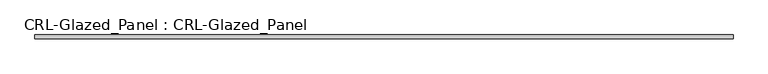
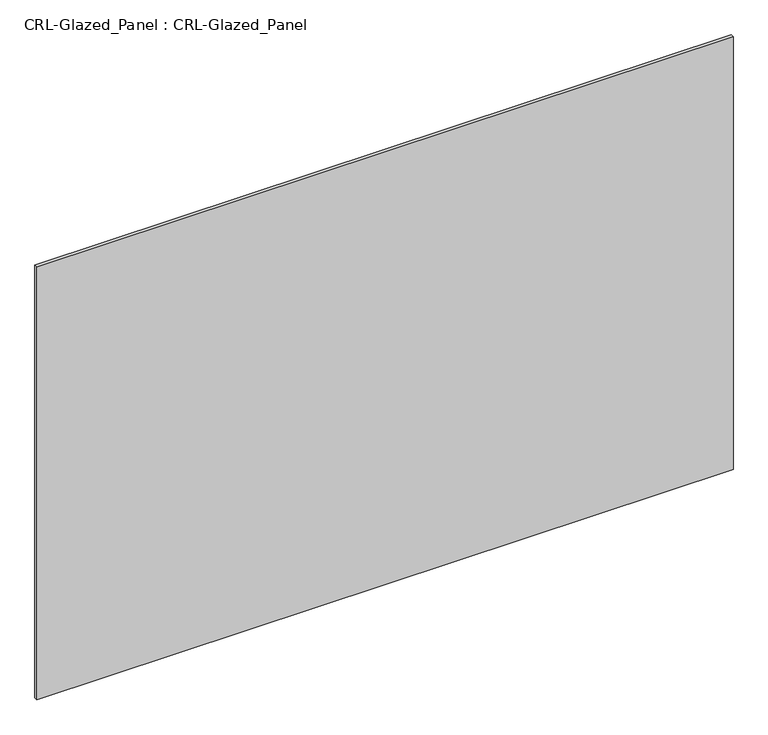
"""IFC4 building model written with IfcOpenShell, lengths in millimetres: plate geometry, CRL-Glazed_Panel : CRL-Glazed_Panel."""

import ifcopenshell
import ifcopenshell.guid

model = None  # the IFC model being written
_history = None  # IfcOwnerHistory: only IFC2X3 demands one
_inside = {}  # id of a spatial element -> (the spatial element, [elements in it])
_under = {}  # id of a project, library or spatial element -> (it, [spatial elements below it])
_declared = {}  # id of a project -> (the project, [libraries it declares])
_typed = {}  # id of a type object -> (the type object, [elements of that type])
_made_of = {}  # id of a material, layer set ... -> (it, [elements and type objects made of it])


def new_model(schema):
    """Start an empty IFC model of exactly this schema.

    Asked for "IFC4X3", IfcOpenShell would pick the latest addendum, in which some entities
    have other attributes; the version numbers below select the first issue.
    IFC2X3 requires an IfcOwnerHistory on every rooted entity: one is made here for all.
    """
    global model, _history
    if schema == "IFC4X3":
        model = ifcopenshell.file(schema_version=(4, 3, 0, 0))
    else:
        model = ifcopenshell.file(schema=schema)
    _inside.clear()
    _under.clear()
    _declared.clear()
    _typed.clear()
    _made_of.clear()
    _history = None
    if model.schema == "IFC2X3":
        org = make("IfcOrganization", Name="unknown")
        user = make(
            "IfcPersonAndOrganization",
            ThePerson=make("IfcPerson", FamilyName="unknown"),
            TheOrganization=org,
        )
        app = make(
            "IfcApplication",
            ApplicationDeveloper=org,
            Version="unknown",
            ApplicationFullName="unknown",
            ApplicationIdentifier="unknown",
        )
        _history = make(
            "IfcOwnerHistory",
            OwningUser=user,
            OwningApplication=app,
            ChangeAction="ADDED",
            CreationDate=0,
        )
    return model


def make(cls, **values):
    """One entity of the class cls with the attributes given. An attribute that is None is left unset."""
    return model.create_entity(
        cls, **{name: value for name, value in values.items() if value is not None}
    )


def rooted(cls, **values):
    """An entity with a GlobalId (a new one), such as an element, a storey or a relation."""
    return make(cls, GlobalId=ifcopenshell.guid.new(), OwnerHistory=_history, **values)


def si_unit(unit_type, name, prefix=None):
    """IfcSIUnit, for example si_unit("LENGTHUNIT", "METRE", prefix="MILLI")."""
    return make("IfcSIUnit", UnitType=unit_type, Prefix=prefix, Name=name)


def assignment(units):
    """IfcUnitAssignment: the units of a project."""
    return None if units is None else make("IfcUnitAssignment", Units=units)


def point(xyz):
    """IfcCartesianPoint."""
    return None if xyz is None else make("IfcCartesianPoint", Coordinates=xyz)


def direction(xyz):
    """IfcDirection."""
    return None if xyz is None else make("IfcDirection", DirectionRatios=xyz)


def frame(location, z_axis=None, x_axis=None):
    """IfcAxis2Placement3D, a coordinate frame: its origin and axes. An axis left out is left unset."""
    return make(
        "IfcAxis2Placement3D",
        Location=point(location),
        Axis=direction(z_axis),
        RefDirection=direction(x_axis),
    )


def origin():
    """The frame at (0, 0, 0) with its axes left unset."""
    return frame((0.0, 0.0, 0.0))


def origin_with_axes():
    """The frame at (0, 0, 0) with the z axis (0, 0, 1) and the x axis (1, 0, 0) written out."""
    return frame((0.0, 0.0, 0.0), z_axis=(0.0, 0.0, 1.0), x_axis=(1.0, 0.0, 0.0))


def place(relative_to, where):
    """IfcLocalPlacement: puts the frame where relative to a parent placement (None: the world)."""
    return make(
        "IfcLocalPlacement", PlacementRelTo=relative_to, RelativePlacement=where
    )


def context(
    kind, dimensions, precision=None, world=None, true_north=None, identifier=None
):
    """IfcGeometricRepresentationContext, for example the 3D "Model" context."""
    return make(
        "IfcGeometricRepresentationContext",
        ContextIdentifier=identifier,
        ContextType=kind,
        CoordinateSpaceDimension=dimensions,
        Precision=precision,
        WorldCoordinateSystem=world,
        TrueNorth=true_north,
    )


def project(units=None, contexts=None):
    """IfcProject with its units and contexts."""
    return rooted(
        "IfcProject",
        Name="project",
        RepresentationContexts=contexts,
        UnitsInContext=assignment(units),
    )


def spatial(cls, under=None, at=None, **own):
    """A site, building, storey or space (cls), placed at a placement, below another one or the project."""
    s = rooted(cls, ObjectPlacement=at, **own)
    if under is not None:
        _under.setdefault(under.id(), (under, []))[1].append(s)
    return s


def polyline(points):
    """IfcPolyline through the points."""
    return make("IfcPolyline", Points=[point(p) for p in points])


def outline(outer, holes=None, kind="AREA"):
    """IfcArbitraryClosedProfileDef: a profile drawn as a closed curve; with holes, ...WithVoids."""
    if holes is None:
        return make("IfcArbitraryClosedProfileDef", ProfileType=kind, OuterCurve=outer)
    return make(
        "IfcArbitraryProfileDefWithVoids",
        ProfileType=kind,
        OuterCurve=outer,
        InnerCurves=holes,
    )


def extrude(swept, where, along, depth):
    """IfcExtrudedAreaSolid: the profile swept, set in the frame where, extruded along a direction by depth."""
    return make(
        "IfcExtrudedAreaSolid",
        SweptArea=swept,
        Position=where,
        ExtrudedDirection=direction(along),
        Depth=depth,
    )


def shape(context_of_items, identifier, shape_type, items):
    """IfcShapeRepresentation: the items that make up one representation, for example the "Body"."""
    return make(
        "IfcShapeRepresentation",
        ContextOfItems=context_of_items,
        RepresentationIdentifier=identifier,
        RepresentationType=shape_type,
        Items=items,
    )


def source(mapping_origin, context_of_items, identifier, shape_type, items):
    """IfcRepresentationMap: a shape defined once, which mapped items show again and again."""
    return make(
        "IfcRepresentationMap",
        MappingOrigin=mapping_origin,
        MappedRepresentation=shape(context_of_items, identifier, shape_type, items),
    )


def transform(
    local_origin,
    x_axis=None,
    y_axis=None,
    z_axis=None,
    scale=None,
    scale2=None,
    scale3=None,
    uniform=True,
):
    """IfcCartesianTransformationOperator3D, or its non-uniform kind. x_axis, y_axis, z_axis: its Axis1, 2, 3."""
    if uniform:
        return make(
            "IfcCartesianTransformationOperator3D",
            Axis1=direction(x_axis),
            Axis2=direction(y_axis),
            LocalOrigin=point(local_origin),
            Scale=scale,
            Axis3=direction(z_axis),
        )
    return make(
        "IfcCartesianTransformationOperator3DnonUniform",
        Axis1=direction(x_axis),
        Axis2=direction(y_axis),
        LocalOrigin=point(local_origin),
        Scale=scale,
        Axis3=direction(z_axis),
        Scale2=scale2,
        Scale3=scale3,
    )


def mapped(mapping_source, mapping_target):
    """IfcMappedItem: shows the shape of a source again, moved by a transform."""
    return make(
        "IfcMappedItem", MappingSource=mapping_source, MappingTarget=mapping_target
    )


def made_of(thing, what):
    """Note that an element or type object is made of a material, layer set ...; save() writes the relation."""
    if what is not None:
        _made_of.setdefault(what.id(), (what, []))[1].append(thing)
    return thing


def element(
    cls,
    number,
    at=None,
    inside=None,
    cuts=None,
    type_object=None,
    material=None,
    context=None,
    identifier="Body",
    shape_type=None,
    held_by="IfcProductDefinitionShape",
    body=None,
    shapes=None,
    **own,
):
    """One element of the class cls, such as IfcWall. Its Tag is "e" and its number.

    at: its placement. inside: the storey or other place that contains it. cuts: it is an
    opening in that element (IfcRelVoidsElement). A single representation is given by context,
    identifier, shape_type and body (its items); several are given by shapes. held_by: the class
    of the entity that holds the representations. save() writes the other relations.
    """
    e = rooted(cls, Tag="e%d" % number, ObjectPlacement=at, **own)
    if body is not None:
        shapes = [shape(context, identifier, shape_type, body)]
    if shapes is not None:
        e.Representation = make(held_by, Representations=shapes)
    if inside is not None:
        _inside.setdefault(inside.id(), (inside, []))[1].append(e)
    if cuts is not None:
        rooted(
            "IfcRelVoidsElement", RelatingBuildingElement=cuts, RelatedOpeningElement=e
        )
    if type_object is not None:
        _typed.setdefault(type_object.id(), (type_object, []))[1].append(e)
    return made_of(e, material)


def aggregate(whole, parts):
    """IfcRelAggregates: a whole, such as a stair, and the parts it consists of."""
    return rooted("IfcRelAggregates", RelatingObject=whole, RelatedObjects=parts)


def save(model, path):
    """Write the relations noted so far, then the file.

    IfcRelAggregates (storeys below a building ...), IfcRelContainedInSpatialStructure (elements
    in a storey), IfcRelDefinesByType, IfcRelAssociatesMaterial and IfcRelDeclares: one each for
    every whole, place, type object, material and project.
    """
    for whole, parts in _under.values():
        aggregate(whole, parts)
    for where, things in _inside.values():
        rooted(
            "IfcRelContainedInSpatialStructure",
            RelatedElements=things,
            RelatingStructure=where,
        )
    for kind, things in _typed.values():
        rooted("IfcRelDefinesByType", RelatedObjects=things, RelatingType=kind)
    for what, things in _made_of.values():
        rooted("IfcRelAssociatesMaterial", RelatedObjects=things, RelatingMaterial=what)
    for by, libraries in _declared.values():
        rooted("IfcRelDeclares", RelatingContext=by, RelatedDefinitions=libraries)
    model.write(path)


def crl_glazed_panel_crl_glazed_panel_79c9d4a2(model_context):
    return source(origin(), model_context, "Body", "SweptSolid", [
        extrude(outline(polyline([(613.8333298, 3.1749999), (613.8333298, -3.1749999), (-613.8333298, -3.1749999), (-613.8333298, 3.1749999), (613.8333298, 3.1749999)])), origin_with_axes(), (0.0, 0.0, 1.0), 807.154939),
    ])


if __name__ == "__main__":
    model = new_model("IFC4")
    model_context = context("Model", 3, world=origin())
    ifc_project = project(units=[si_unit("LENGTHUNIT", "METRE", prefix="MILLI")], contexts=[model_context])
    site = spatial("IfcSite", under=ifc_project)
    building = spatial("IfcBuilding", under=site)
    placement = place(None, origin())
    crl_glazed_panel_crl_glazed_panel_shape = crl_glazed_panel_crl_glazed_panel_79c9d4a2(model_context)
    element("IfcPlate", 1, ObjectType="CRL-Glazed_Panel : CRL-Glazed_Panel", at=placement, inside=building, context=model_context, shape_type="MappedRepresentation", body=[
        mapped(crl_glazed_panel_crl_glazed_panel_shape, transform((0.0, 0.0, 0.0), x_axis=(1.0, 0.0, 0.0), y_axis=(0.0, 1.0, 0.0), z_axis=(0.0, 0.0, 1.0))),
    ])
    save(model, "model.ifc")
